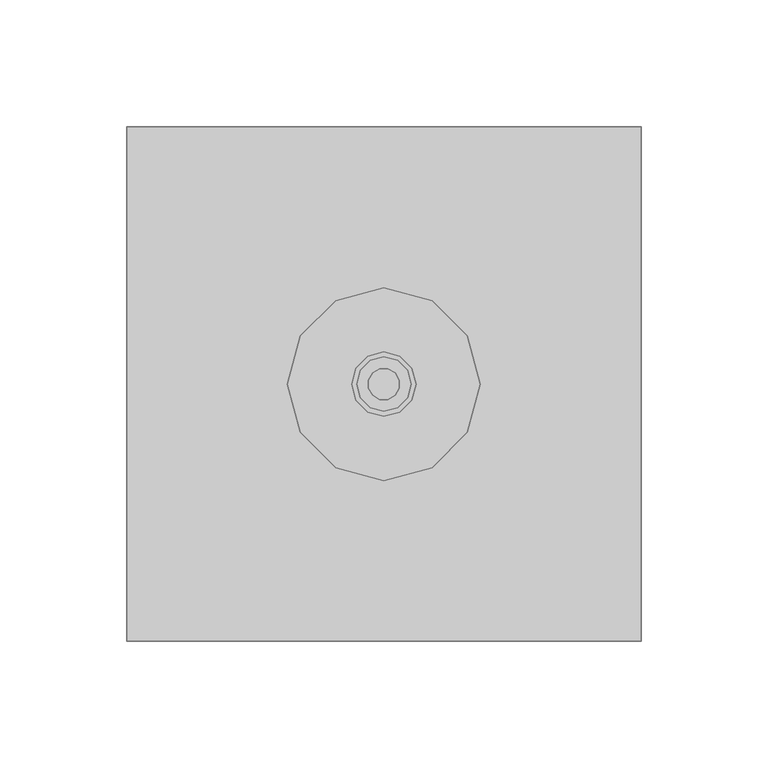
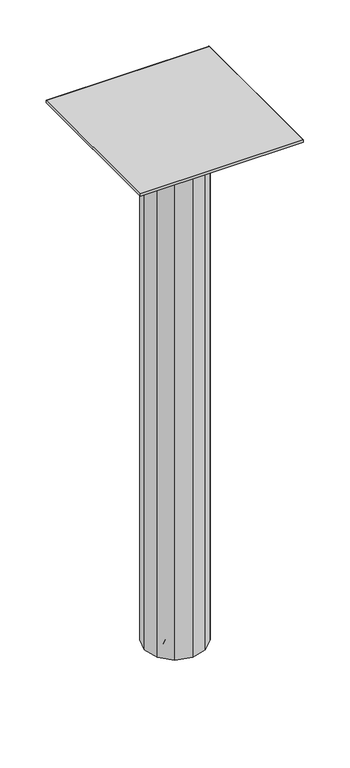
"""IFC4 building model written with IfcOpenShell, lengths in millimetres: furniture geometry."""

from ifc_helpers import new_model, si_unit, origin, place, context, project, spatial, triangles, source, transform, mapped, element, save


def furniture_9b264e3c(model_context):
    return source(origin(), model_context, "Body", "Tessellation", [
        triangles([(-10.9985224, -6.3500002, 14.4970496), (-6.3500002, -10.9985224, 14.4970496), (-6.2477683, -10.8214518, 13.4691429), (-10.8214518, -6.2477683, 13.4691429), (-5.956637, -10.3171982, 12.5977253), (-10.3171982, -5.956637, 12.5977253), (-5.5209282, -9.5625284, 12.0154639), (-9.5625284, -5.5209282, 12.0154639), (-5.0069749, -8.6723353, 11.8110001), (-8.6723353, -5.0069749, 11.8110001), (-10.9985224, -6.3500002, 15.3924005), (-6.3500002, -10.9985224, 15.3924005), (0.0, 0.0, 11.8110001), (1e-07, -12.7000004, 14.4970496), (1e-07, -12.4955366, 13.4691429), (1e-07, -11.913274, 12.5977253), (1e-07, -11.0418564, 12.0154639), (1e-07, -10.0139498, 11.8110001), (1e-07, -12.7000004, 15.3924005), (6.3500002, -10.9985224, 14.4970496), (6.2477683, -10.8214518, 13.4691429), (5.956637, -10.3171982, 12.5977253), (5.5209282, -9.5625284, 12.0154639), (5.0069749, -8.6723353, 11.8110001), (6.3500002, -10.9985224, 15.3924005), (10.9985224, -6.3500002, 14.4970496), (10.8214518, -6.2477683, 13.4691429), (10.3171982, -5.956637, 12.5977253), (9.5625284, -5.5209282, 12.0154639), (8.6723353, -5.0069749, 11.8110001), (10.9985224, -6.3500002, 15.3924005), (12.7000004, 1e-07, 14.4970496), (12.4955366, 1e-07, 13.4691429), (11.913274, 1e-07, 12.5977253), (11.0418564, 1e-07, 12.0154639), (10.0139498, 1e-07, 11.8110001), (12.7000004, 1e-07, 15.3924005), (10.9985224, 6.3500002, 14.4970496), (10.8214518, 6.2477683, 13.4691429), (10.3171982, 5.956637, 12.5977253), (9.5625284, 5.5209282, 12.0154639), (8.6723353, 5.0069749, 11.8110001), (10.9985224, 6.3500002, 15.3924005), (6.3500002, 10.9985224, 14.4970496), (6.2477683, 10.8214518, 13.4691429), (5.956637, 10.3171982, 12.5977253), (5.5209282, 9.5625284, 12.0154639), (5.0069749, 8.6723353, 11.8110001), (6.3500002, 10.9985224, 15.3924005), (-1e-07, 12.7000004, 14.4970496), (-1e-07, 12.4955366, 13.4691429), (-1e-07, 11.913274, 12.5977253), (-1e-07, 11.0418564, 12.0154639), (-1e-07, 10.0139498, 11.8110001), (-1e-07, 12.7000004, 15.3924005), (-6.3500002, 10.9985224, 14.4970496), (-6.2477683, 10.8214518, 13.4691429), (-5.956637, 10.3171982, 12.5977253), (-5.5209282, 9.5625284, 12.0154639), (-5.0069749, 8.6723353, 11.8110001), (-6.3500002, 10.9985224, 15.3924005), (-10.9985224, 6.3500002, 14.4970496), (-10.8214518, 6.2477683, 13.4691429), (-10.3171982, 5.956637, 12.5977253), (-9.5625284, 5.5209282, 12.0154639), (-8.6723353, 5.0069749, 11.8110001), (-10.9985224, 6.3500002, 15.3924005), (-12.7000004, -1e-07, 14.4970496), (-12.4955366, -1e-07, 13.4691429), (-11.913274, -1e-07, 12.5977253), (-11.0418564, -1e-07, 12.0154639), (-10.0139498, -1e-07, 11.8110001), (-12.7000004, -1e-07, 15.3924005), (-7.3690099, -4.2544999, 10.1600005), (-4.2544999, -7.3690099, 10.1600005), (-4.6919071, -8.1266217, 9.9859888), (-8.1266217, -4.6919071, 9.9859888), (-5.062723, -8.7688938, 9.490446), (-8.7688938, -5.062723, 9.490446), (-5.3104941, -9.1980458, 8.7488142), (-9.1980458, -5.3104941, 8.7488142), (-5.3975, -9.3487441, 7.8739999), (-9.3487441, -5.3975, 7.8739999), (-10.6134442, -6.1276749, 7.1377808), (-6.1276749, -10.6134442, 7.1377808), (-5.9876018, -10.3708309, 7.488015), (-10.3708309, -5.9876018, 7.488015), (-5.7732855, -9.9996247, 7.6200001), (-9.9996247, -5.7732855, 7.6200001), (-7.4881876, -4.3233073, 0.0), (-4.3233073, -7.4881876, 0.0), (-4.7453252, -8.2191443, 0.1191935), (-8.2191443, -4.7453252, 0.1191935), (-5.1343364, -8.8929318, 0.4674518), (-8.8929318, -5.1343364, 0.4674518), (-12.0983747, -6.9850002, 2.7939999), (-6.9850002, -12.0983747, 2.7939999), (-4.1244453, -2.3812496, 10.1600005), (-2.38125, -4.1244459, 10.1600005), (-9.3487441, -5.3975, 7.6200001), (-5.3975, -9.3487441, 7.6200001), (0.0, 0.0, 0.0), (0.0, -8.5089998, 10.1600005), (0.0, -9.3838141, 9.9859888), (0.0, -10.125446, 9.490446), (0.0, -10.6209882, 8.7488142), (0.0, -10.7949999, 7.8739999), (0.0, -12.2553498, 7.1377808), (0.0, -11.9752036, 7.488015), (0.0, -11.5465711, 7.6200001), (0.0, -8.6466146, 0.0), (0.0, -9.4906504, 0.1191935), (0.0, -10.2686728, 0.4674518), (0.0, -13.9700003, 2.7939999), (0.0, -4.7625, 10.1600005), (0.0, -10.7949999, 7.6200001), (4.2544999, -7.3690099, 10.1600005), (4.6919071, -8.1266217, 9.9859888), (5.062723, -8.7688938, 9.490446), (5.3104941, -9.1980458, 8.7488142), (5.3975, -9.3487441, 7.8739999), (6.1276749, -10.6134442, 7.1377808), (5.9876018, -10.3708309, 7.488015), (5.7732855, -9.9996247, 7.6200001), (4.3233073, -7.4881876, 0.0), (4.7453252, -8.2191443, 0.1191935), (5.1343364, -8.8929318, 0.4674518), (6.9850002, -12.0983747, 2.7939999), (2.38125, -4.1244459, 10.1600005), (5.3975, -9.3487441, 7.6200001), (7.3690099, -4.2544999, 10.1600005), (8.1266217, -4.6919071, 9.9859888), (8.7688938, -5.062723, 9.490446), (9.1980458, -5.3104941, 8.7488142), (9.3487441, -5.3975, 7.8739999), (10.6134442, -6.1276749, 7.1377808), (10.3708309, -5.9876018, 7.488015), (9.9996247, -5.7732855, 7.6200001), (7.4881876, -4.3233073, 0.0), (8.2191443, -4.7453252, 0.1191935), (8.8929318, -5.1343364, 0.4674518), (12.0983747, -6.9850002, 2.7939999), (4.1244459, -2.38125, 10.1600005), (9.3487441, -5.3975, 7.6200001), (8.5089998, 0.0, 10.1600005), (9.3838141, 0.0, 9.9859888), (10.125446, 0.0, 9.490446), (10.6209882, 0.0, 8.7488142), (10.7949999, 0.0, 7.8739999), (12.2553498, 0.0, 7.1377808), (11.9752036, 0.0, 7.488015), (11.5465711, 0.0, 7.6200001), (8.6466146, 0.0, 0.0), (9.4906504, 0.0, 0.1191935), (10.2686728, 0.0, 0.4674518), (13.9700003, 0.0, 2.7939999), (4.7625, 0.0, 10.1600005), (10.7949999, 0.0, 7.6200001), (7.3690099, 4.2544999, 10.1600005), (8.1266217, 4.6919071, 9.9859888), (8.7688938, 5.062723, 9.490446), (9.1980458, 5.3104941, 8.7488142), (9.3487441, 5.3975, 7.8739999), (10.6134442, 6.1276749, 7.1377808), (10.3708309, 5.9876018, 7.488015), (9.9996247, 5.7732855, 7.6200001), (7.4881876, 4.3233073, 0.0), (8.2191443, 4.7453252, 0.1191935), (8.8929318, 5.1343364, 0.4674518), (12.0983747, 6.9850002, 2.7939999), (4.1244459, 2.38125, 10.1600005), (9.3487441, 5.3975, 7.6200001), (4.2544999, 7.3690099, 10.1600005), (4.6919071, 8.1266217, 9.9859888), (5.062723, 8.7688938, 9.490446), (5.3104941, 9.1980458, 8.7488142), (5.3975, 9.3487441, 7.8739999), (6.1276749, 10.6134442, 7.1377808), (5.9876018, 10.3708309, 7.488015), (5.7732855, 9.9996247, 7.6200001), (4.3233073, 7.4881876, 0.0), (4.7453252, 8.2191443, 0.1191935), (5.1343364, 8.8929318, 0.4674518), (6.9850002, 12.0983747, 2.7939999), (2.38125, 4.1244459, 10.1600005), (5.3975, 9.3487441, 7.6200001), (0.0, 8.5089998, 10.1600005), (0.0, 9.3838141, 9.9859888), (0.0, 10.125446, 9.490446), (0.0, 10.6209882, 8.7488142), (0.0, 10.7949999, 7.8739999), (0.0, 12.2553498, 7.1377808), (0.0, 11.9752036, 7.488015), (0.0, 11.5465711, 7.6200001), (0.0, 8.6466146, 0.0), (0.0, 9.4906504, 0.1191935), (0.0, 10.2686728, 0.4674518), (0.0, 13.9700003, 2.7939999), (0.0, 4.7625, 10.1600005), (0.0, 10.7949999, 7.6200001), (-4.2544999, 7.3690099, 10.1600005), (-4.6919071, 8.1266217, 9.9859888), (-5.062723, 8.7688938, 9.490446), (-5.3104941, 9.1980458, 8.7488142), (-5.3975, 9.3487441, 7.8739999), (-6.1276749, 10.6134442, 7.1377808), (-5.9876018, 10.3708309, 7.488015), (-5.7732855, 9.9996247, 7.6200001), (-4.3233073, 7.4881876, 0.0), (-4.7453252, 8.2191443, 0.1191935), (-5.1343364, 8.8929318, 0.4674518), (-6.9850002, 12.0983747, 2.7939999), (-2.38125, 4.1244459, 10.1600005), (-5.3975, 9.3487441, 7.6200001), (-7.3690099, 4.2544999, 10.1600005), (-8.1266217, 4.6919071, 9.9859888), (-8.7688938, 5.062723, 9.490446), (-9.1980458, 5.3104941, 8.7488142), (-9.3487441, 5.3975, 7.8739999), (-10.6134442, 6.1276749, 7.1377808), (-10.3708309, 5.9876018, 7.488015), (-9.9996247, 5.7732855, 7.6200001), (-7.4881876, 4.3233073, 0.0), (-8.2191443, 4.7453252, 0.1191935), (-8.8929318, 5.1343364, 0.4674518), (-12.0983747, 6.9850002, 2.7939999), (-4.1244459, 2.38125, 10.1600005), (-9.3487441, 5.3975, 7.6200001), (-8.5089998, 0.0, 10.1600005), (-9.3838141, 0.0, 9.9859888), (-10.125446, 0.0, 9.490446), (-10.6209882, 0.0, 8.7488142), (-10.7949999, 0.0, 7.8739999), (-12.2553498, 0.0, 7.1377808), (-11.9752036, 0.0, 7.488015), (-11.5465711, 0.0, 7.6200001), (-8.6466146, 0.0, 0.0), (-9.4906504, 0.0, 0.1191935), (-10.2686728, 0.0, 0.4674518), (-13.9700003, 0.0, 2.7939999), (-4.7625, 0.0, 10.1600005), (-10.7949999, 0.0, 7.6200001), (0.0, 0.0, 15.3924005), (4.454207, -4.454207, 10.1600005), (4.454207, -4.454207, 28.0924009), (1.6303529, -6.08456, 28.0924009), (1.6303529, -6.08456, 10.1600005), (-1.6303529, -6.08456, 28.0924009), (-1.6303529, -6.08456, 10.1600005), (-4.454207, -4.454207, 28.0924009), (-4.454207, -4.454207, 10.1600005), (-6.08456, -1.6303529, 28.0924009), (-6.08456, -1.6303529, 10.1600005), (-6.08456, 1.6303529, 28.0924009), (-6.08456, 1.6303529, 10.1600005), (-4.454207, 4.454207, 28.0924009), (-4.454207, 4.454207, 10.1600005), (6.08456, -1.6303529, 28.0924009), (6.08456, -1.6303529, 10.1600005), (6.08456, 1.6303529, 28.0924009), (6.08456, 1.6303529, 10.1600005), (4.454207, 4.454207, 28.0924009), (4.454207, 4.454207, 10.1600005), (1.6303529, 6.08456, 28.0924009), (1.6303529, 6.08456, 10.1600005), (-1.6303529, 6.08456, 28.0924009), (-1.6303529, 6.08456, 10.1600005)], [[1, 2, 3], [1, 3, 4], [4, 3, 5], [4, 5, 6], [6, 5, 7], [6, 7, 8], [8, 7, 9], [8, 9, 10], [11, 1, 2], [11, 2, 12], [10, 13, 9], [2, 14, 15], [2, 15, 3], [3, 15, 16], [3, 16, 5], [5, 16, 17], [5, 17, 7], [7, 17, 18], [7, 18, 9], [12, 2, 14], [12, 14, 19], [9, 13, 18], [14, 20, 21], [14, 21, 15], [15, 21, 22], [15, 22, 16], [16, 22, 23], [16, 23, 17], [17, 23, 24], [17, 24, 18], [19, 14, 20], [19, 20, 25], [18, 13, 24], [20, 26, 27], [20, 27, 21], [21, 27, 28], [21, 28, 22], [22, 28, 29], [22, 29, 23], [23, 29, 30], [23, 30, 24], [25, 20, 26], [25, 26, 31], [24, 13, 30], [26, 32, 33], [26, 33, 27], [27, 33, 34], [27, 34, 28], [28, 34, 35], [28, 35, 29], [29, 35, 36], [29, 36, 30], [31, 26, 32], [31, 32, 37], [30, 13, 36], [32, 38, 39], [32, 39, 33], [33, 39, 40], [33, 40, 34], [34, 40, 41], [34, 41, 35], [35, 41, 42], [35, 42, 36], [37, 32, 38], [37, 38, 43], [36, 13, 42], [38, 44, 45], [38, 45, 39], [39, 45, 46], [39, 46, 40], [40, 46, 47], [40, 47, 41], [41, 47, 48], [41, 48, 42], [43, 38, 44], [43, 44, 49], [42, 13, 48], [44, 50, 51], [44, 51, 45], [45, 51, 52], [45, 52, 46], [46, 52, 53], [46, 53, 47], [47, 53, 54], [47, 54, 48], [49, 44, 50], [49, 50, 55], [48, 13, 54], [50, 56, 57], [50, 57, 51], [51, 57, 58], [51, 58, 52], [52, 58, 59], [52, 59, 53], [53, 59, 60], [53, 60, 54], [55, 50, 56], [55, 56, 61], [54, 13, 60], [56, 62, 63], [56, 63, 57], [57, 63, 64], [57, 64, 58], [58, 64, 65], [58, 65, 59], [59, 65, 66], [59, 66, 60], [61, 56, 62], [61, 62, 67], [60, 13, 66], [62, 68, 69], [62, 69, 63], [63, 69, 70], [63, 70, 64], [64, 70, 71], [64, 71, 65], [65, 71, 72], [65, 72, 66], [67, 62, 68], [67, 68, 73], [66, 13, 72], [68, 1, 4], [68, 4, 69], [69, 4, 6], [69, 6, 70], [70, 6, 8], [70, 8, 71], [71, 8, 10], [71, 10, 72], [73, 68, 1], [73, 1, 11], [72, 13, 10], [74, 75, 76], [74, 76, 77], [77, 76, 78], [77, 78, 79], [79, 78, 80], [79, 80, 81], [81, 80, 82], [81, 82, 83], [84, 85, 86], [84, 86, 87], [87, 86, 88], [87, 88, 89], [90, 91, 92], [90, 92, 93], [93, 92, 94], [93, 94, 95], [96, 95, 94], [96, 94, 97], [84, 96, 97], [84, 97, 85], [98, 74, 75], [98, 75, 99], [83, 100, 101], [83, 101, 82], [100, 89, 88], [100, 88, 101], [90, 102, 91], [75, 103, 104], [75, 104, 76], [76, 104, 105], [76, 105, 78], [78, 105, 106], [78, 106, 80], [80, 106, 107], [80, 107, 82], [85, 108, 109], [85, 109, 86], [86, 109, 110], [86, 110, 88], [91, 111, 112], [91, 112, 92], [92, 112, 113], [92, 113, 94], [97, 94, 113], [97, 113, 114], [85, 97, 114], [85, 114, 108], [99, 75, 103], [99, 103, 115], [82, 101, 116], [82, 116, 107], [101, 88, 110], [101, 110, 116], [91, 102, 111], [103, 117, 118], [103, 118, 104], [104, 118, 119], [104, 119, 105], [105, 119, 120], [105, 120, 106], [106, 120, 121], [106, 121, 107], [108, 122, 123], [108, 123, 109], [109, 123, 124], [109, 124, 110], [111, 125, 126], [111, 126, 112], [112, 126, 127], [112, 127, 113], [114, 113, 127], [114, 127, 128], [108, 114, 128], [108, 128, 122], [115, 103, 117], [115, 117, 129], [107, 116, 130], [107, 130, 121], [116, 110, 124], [116, 124, 130], [111, 102, 125], [117, 131, 132], [117, 132, 118], [118, 132, 133], [118, 133, 119], [119, 133, 134], [119, 134, 120], [120, 134, 135], [120, 135, 121], [122, 136, 137], [122, 137, 123], [123, 137, 138], [123, 138, 124], [125, 139, 140], [125, 140, 126], [126, 140, 141], [126, 141, 127], [128, 127, 141], [128, 141, 142], [122, 128, 142], [122, 142, 136], [129, 117, 131], [129, 131, 143], [121, 130, 144], [121, 144, 135], [130, 124, 138], [130, 138, 144], [125, 102, 139], [131, 145, 146], [131, 146, 132], [132, 146, 147], [132, 147, 133], [133, 147, 148], [133, 148, 134], [134, 148, 149], [134, 149, 135], [136, 150, 151], [136, 151, 137], [137, 151, 152], [137, 152, 138], [139, 153, 154], [139, 154, 140], [140, 154, 155], [140, 155, 141], [142, 141, 155], [142, 155, 156], [136, 142, 156], [136, 156, 150], [143, 131, 145], [143, 145, 157], [135, 144, 158], [135, 158, 149], [144, 138, 152], [144, 152, 158], [139, 102, 153], [145, 159, 160], [145, 160, 146], [146, 160, 161], [146, 161, 147], [147, 161, 162], [147, 162, 148], [148, 162, 163], [148, 163, 149], [150, 164, 165], [150, 165, 151], [151, 165, 166], [151, 166, 152], [153, 167, 168], [153, 168, 154], [154, 168, 169], [154, 169, 155], [156, 155, 169], [156, 169, 170], [150, 156, 170], [150, 170, 164], [157, 145, 159], [157, 159, 171], [149, 158, 172], [149, 172, 163], [158, 152, 166], [158, 166, 172], [153, 102, 167], [159, 173, 174], [159, 174, 160], [160, 174, 175], [160, 175, 161], [161, 175, 176], [161, 176, 162], [162, 176, 177], [162, 177, 163], [164, 178, 179], [164, 179, 165], [165, 179, 180], [165, 180, 166], [167, 181, 182], [167, 182, 168], [168, 182, 183], [168, 183, 169], [170, 169, 183], [170, 183, 184], [164, 170, 184], [164, 184, 178], [171, 159, 173], [171, 173, 185], [163, 172, 186], [163, 186, 177], [172, 166, 180], [172, 180, 186], [167, 102, 181], [173, 187, 188], [173, 188, 174], [174, 188, 189], [174, 189, 175], [175, 189, 190], [175, 190, 176], [176, 190, 191], [176, 191, 177], [178, 192, 193], [178, 193, 179], [179, 193, 194], [179, 194, 180], [181, 195, 196], [181, 196, 182], [182, 196, 197], [182, 197, 183], [184, 183, 197], [184, 197, 198], [178, 184, 198], [178, 198, 192], [185, 173, 187], [185, 187, 199], [177, 186, 200], [177, 200, 191], [186, 180, 194], [186, 194, 200], [181, 102, 195], [187, 201, 202], [187, 202, 188], [188, 202, 203], [188, 203, 189], [189, 203, 204], [189, 204, 190], [190, 204, 205], [190, 205, 191], [192, 206, 207], [192, 207, 193], [193, 207, 208], [193, 208, 194], [195, 209, 210], [195, 210, 196], [196, 210, 211], [196, 211, 197], [198, 197, 211], [198, 211, 212], [192, 198, 212], [192, 212, 206], [199, 187, 201], [199, 201, 213], [191, 200, 214], [191, 214, 205], [200, 194, 208], [200, 208, 214], [195, 102, 209], [201, 215, 216], [201, 216, 202], [202, 216, 217], [202, 217, 203], [203, 217, 218], [203, 218, 204], [204, 218, 219], [204, 219, 205], [206, 220, 221], [206, 221, 207], [207, 221, 222], [207, 222, 208], [209, 223, 224], [209, 224, 210], [210, 224, 225], [210, 225, 211], [212, 211, 225], [212, 225, 226], [206, 212, 226], [206, 226, 220], [213, 201, 215], [213, 215, 227], [205, 214, 228], [205, 228, 219], [214, 208, 222], [214, 222, 228], [209, 102, 223], [215, 229, 230], [215, 230, 216], [216, 230, 231], [216, 231, 217], [217, 231, 232], [217, 232, 218], [218, 232, 233], [218, 233, 219], [220, 234, 235], [220, 235, 221], [221, 235, 236], [221, 236, 222], [223, 237, 238], [223, 238, 224], [224, 238, 239], [224, 239, 225], [226, 225, 239], [226, 239, 240], [220, 226, 240], [220, 240, 234], [227, 215, 229], [227, 229, 241], [219, 228, 242], [219, 242, 233], [228, 222, 236], [228, 236, 242], [223, 102, 237], [229, 74, 77], [229, 77, 230], [230, 77, 79], [230, 79, 231], [231, 79, 81], [231, 81, 232], [232, 81, 83], [232, 83, 233], [234, 84, 87], [234, 87, 235], [235, 87, 89], [235, 89, 236], [237, 90, 93], [237, 93, 238], [238, 93, 95], [238, 95, 239], [240, 239, 95], [240, 95, 96], [234, 240, 96], [234, 96, 84], [241, 229, 74], [241, 74, 98], [233, 242, 100], [233, 100, 83], [242, 236, 89], [242, 89, 100], [237, 102, 90], [55, 243, 49], [61, 243, 55], [67, 243, 61], [73, 243, 67], [11, 243, 73], [12, 243, 11], [19, 243, 12], [25, 243, 19], [31, 243, 25], [37, 243, 31], [43, 243, 37], [49, 243, 43], [244, 245, 246], [244, 246, 247], [247, 246, 248], [247, 248, 249], [249, 248, 250], [249, 250, 251], [251, 250, 252], [251, 252, 253], [253, 252, 254], [253, 254, 255], [255, 254, 256], [255, 256, 257], [244, 245, 258], [244, 258, 259], [259, 258, 260], [259, 260, 261], [261, 260, 262], [261, 262, 263], [263, 262, 264], [263, 264, 265], [265, 264, 266], [265, 266, 267], [267, 266, 256], [267, 256, 257]], closed=False),
        triangles([(-101.600003, 101.600003, 695.5536198), (-101.600003, 101.600003, 692.1373312), (-101.600003, -101.600003, 692.1373312), (-101.600003, -101.600003, 695.5536198), (101.600003, 101.600003, 695.5536198), (101.600003, 101.600003, 692.1373312), (101.600003, -101.600003, 692.1373312), (101.600003, -101.600003, 695.5536198), (0.0, -38.1, 10.6172003), (0.0, -38.1, 692.1373312), (-19.05, -32.9955673, 692.1373312), (-19.05, -32.9955673, 10.6172003), (-32.9955673, -19.05, 692.1373312), (-32.9955673, -19.05, 10.6172003), (-38.1, 0.0, 692.1373312), (-38.1, 0.0, 10.6172003), (-32.9955673, 19.05, 692.1373312), (-32.9955673, 19.05, 10.6172003), (-19.05, 32.9955673, 692.1373312), (-19.05, 32.9955673, 10.6172003), (0.0, 38.1, 692.1373312), (0.0, 38.1, 10.6172003), (19.05, 32.9955673, 692.1373312), (19.05, 32.9955673, 10.6172003), (32.9955673, 19.05, 692.1373312), (32.9955673, 19.05, 10.6172003), (38.1, 0.0, 692.1373312), (38.1, 0.0, 10.6172003), (32.9955673, -19.05, 692.1373312), (32.9955673, -19.05, 10.6172003), (19.05, -32.9955673, 692.1373312), (19.05, -32.9955673, 10.6172003), (0.0, 0.0, 10.6172003)], [[1, 2, 3], [1, 3, 4], [5, 6, 2], [5, 2, 1], [4, 3, 7], [4, 7, 8], [8, 7, 6], [8, 6, 5], [4, 8, 5], [4, 5, 1], [3, 2, 6], [3, 6, 7], [9, 10, 11], [9, 11, 12], [12, 11, 13], [12, 13, 14], [14, 13, 15], [14, 15, 16], [16, 15, 17], [16, 17, 18], [18, 17, 19], [18, 19, 20], [20, 19, 21], [20, 21, 22], [22, 21, 23], [22, 23, 24], [24, 23, 25], [24, 25, 26], [26, 25, 27], [26, 27, 28], [28, 27, 29], [28, 29, 30], [30, 29, 31], [30, 31, 32], [32, 31, 10], [32, 10, 9], [22, 33, 20], [20, 33, 18], [18, 33, 16], [16, 33, 14], [14, 33, 12], [12, 33, 9], [22, 33, 24], [24, 33, 26], [26, 33, 28], [28, 33, 30], [30, 33, 32], [32, 33, 9]], closed=False),
    ])


if __name__ == "__main__":
    model = new_model("IFC4")
    model_context = context("Model", 3, world=origin())
    ifc_project = project(units=[si_unit("LENGTHUNIT", "METRE", prefix="MILLI")], contexts=[model_context])
    site = spatial("IfcSite", under=ifc_project)
    building = spatial("IfcBuilding", under=site)
    placement = place(None, origin())
    furniture_shape = furniture_9b264e3c(model_context)
    element("IfcFurniture", 1, at=placement, inside=building, context=model_context, shape_type="MappedRepresentation", body=[
        mapped(furniture_shape, transform((0.0, 0.0, 0.0), x_axis=(1.0, 0.0, 0.0), y_axis=(0.0, 1.0, 0.0), z_axis=(0.0, 0.0, 1.0))),
    ])
    save(model, "model.ifc")
